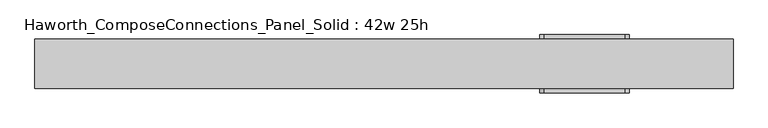
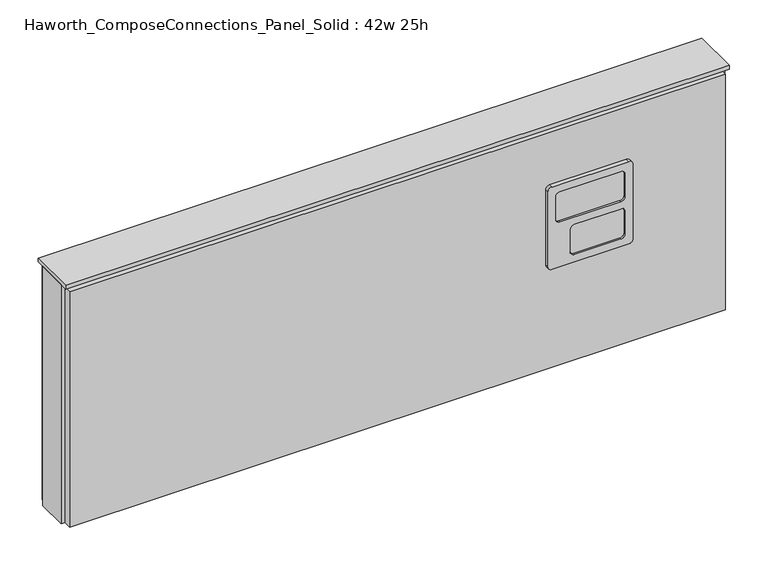
"""IFC4 building model written with IfcOpenShell, lengths in millimetres: furniture geometry, Haworth_ComposeConnections_Panel_Solid : 42w 25h."""

from ifc_helpers import new_model, si_unit, frame, origin, place, context, project, spatial, polyline, circle_curve, outline, extrude, source, transform, mapped, element, save
from ifc_brep_helpers import plane_surface, cylinder_surface, revolved_surface, advanced_brep


def haworth_composeconnections_panel_solid_42w_25h_00a73b89(model_context):
    return source(origin(), model_context, "Body", "SolidModel", [
        advanced_brep(
        [(246.9152902, 38.1, 546.1), (240.5652902, 38.1, 539.75), (240.5652902, 38.1, 412.75), (246.9152902, 38.1, 406.4), (370.7402902, 38.1, 406.4), (377.0902902, 38.1, 412.75), (377.0902902, 38.1, 539.75), (370.7402902, 38.1, 546.1), (246.9152902, 44.45, 546.1), (370.7402902, 44.45, 546.1), (377.0902902, 44.45, 539.75), (377.0902902, 44.45, 412.75), (370.7402902, 44.45, 406.4), (246.9152902, 44.45, 406.4), (240.5652902, 44.45, 412.75), (240.5652902, 44.45, 539.75), (259.6152902, 44.45, 533.4), (253.2652902, 44.45, 527.05), (253.2652902, 44.45, 488.95), (259.6152902, 44.45, 482.6), (358.0402902, 44.45, 482.6), (364.3902902, 44.45, 488.95), (364.3902902, 44.45, 527.05), (358.0402902, 44.45, 533.4), (259.6152902, 44.45, 469.9), (253.2652902, 44.45, 463.55), (253.2652902, 44.45, 425.45), (259.6152902, 44.45, 419.1), (334.2277902, 44.45, 419.1), (340.5777902, 44.45, 425.45), (340.5777902, 44.45, 463.55), (334.2277902, 44.45, 469.9), (259.6152902, 41.275, 533.4), (358.0402902, 41.275, 533.4), (364.3902902, 41.275, 527.05), (364.3902902, 41.275, 488.95), (358.0402902, 41.275, 482.6), (259.6152902, 41.275, 482.6), (253.2652902, 41.275, 488.95), (253.2652902, 41.275, 527.05), (259.6152902, 41.275, 469.9), (334.2277902, 41.275, 469.9), (340.5777902, 41.275, 463.55), (340.5777902, 41.275, 425.45), (334.2277902, 41.275, 419.1), (259.6152902, 41.275, 419.1), (253.2652902, 41.275, 425.45), (253.2652902, 41.275, 463.55)],
        [
            (0, 1, circle_curve(frame((246.9152902, 38.1, 539.75), z_axis=(0.0, -1.0, 0.0), x_axis=(1.0, 0.0, 0.0)), 6.35)),
            (1, 2),
            (2, 3, circle_curve(frame((246.9152902, 38.1, 412.75), z_axis=(0.0, -1.0, 0.0), x_axis=(1.0, 0.0, 0.0)), 6.35)),
            (3, 4),
            (4, 5, circle_curve(frame((370.7402902, 38.1, 412.75), z_axis=(0.0, -1.0, 0.0), x_axis=(1.0, 0.0, 0.0)), 6.35)),
            (5, 6),
            (6, 7, circle_curve(frame((370.7402902, 38.1, 539.75), z_axis=(0.0, -1.0, 0.0), x_axis=(1.0, 0.0, 0.0)), 6.35)),
            (7, 0),
            (8, 9),
            (9, 10, circle_curve(frame((370.7402902, 44.45, 539.75), z_axis=(0.0, 1.0, 0.0), x_axis=(1.0, 0.0, 0.0)), 6.35)),
            (10, 11),
            (11, 12, circle_curve(frame((370.7402902, 44.45, 412.75), z_axis=(0.0, 1.0, 0.0), x_axis=(1.0, 0.0, 0.0)), 6.35)),
            (12, 13),
            (13, 14, circle_curve(frame((246.9152902, 44.45, 412.75), z_axis=(0.0, 1.0, 0.0), x_axis=(1.0, 0.0, 0.0)), 6.35)),
            (14, 15),
            (15, 8, circle_curve(frame((246.9152902, 44.45, 539.75), z_axis=(0.0, 1.0, 0.0), x_axis=(1.0, 0.0, 0.0)), 6.35)),
            (16, 17, circle_curve(frame((259.6152902, 44.45, 527.05), z_axis=(0.0, -1.0, 0.0), x_axis=(1.0, 0.0, 0.0)), 6.35)),
            (17, 18),
            (18, 19, circle_curve(frame((259.6152902, 44.45, 488.95), z_axis=(0.0, -1.0, 0.0), x_axis=(1.0, 0.0, 0.0)), 6.35)),
            (19, 20),
            (20, 21, circle_curve(frame((358.0402902, 44.45, 488.95), z_axis=(0.0, -1.0, 0.0), x_axis=(1.0, 0.0, 0.0)), 6.35)),
            (21, 22),
            (22, 23, circle_curve(frame((358.0402902, 44.45, 527.05), z_axis=(0.0, -1.0, 0.0), x_axis=(1.0, 0.0, 0.0)), 6.35)),
            (23, 16),
            (24, 25, circle_curve(frame((259.6152902, 44.45, 463.55), z_axis=(0.0, -1.0, 0.0), x_axis=(1.0, 0.0, 0.0)), 6.35)),
            (25, 26),
            (26, 27, circle_curve(frame((259.6152902, 44.45, 425.45), z_axis=(0.0, -1.0, 0.0), x_axis=(1.0, 0.0, 0.0)), 6.35)),
            (27, 28),
            (28, 29, circle_curve(frame((334.2277902, 44.45, 425.45), z_axis=(0.0, -1.0, 0.0), x_axis=(1.0, 0.0, 0.0)), 6.35)),
            (29, 30),
            (30, 31, circle_curve(frame((334.2277902, 44.45, 463.55), z_axis=(0.0, -1.0, 0.0), x_axis=(1.0, 0.0, 0.0)), 6.35)),
            (31, 24),
            (0, 8),
            (15, 1),
            (14, 2),
            (13, 3),
            (12, 4),
            (11, 5),
            (10, 6),
            (9, 7),
            (32, 33),
            (33, 34, circle_curve(frame((358.0402902, 41.275, 527.05), z_axis=(0.0, 1.0, 0.0), x_axis=(1.0, 0.0, 0.0)), 6.35)),
            (34, 35),
            (35, 36, circle_curve(frame((358.0402902, 41.275, 488.95), z_axis=(0.0, 1.0, 0.0), x_axis=(1.0, 0.0, 0.0)), 6.35)),
            (36, 37),
            (37, 38, circle_curve(frame((259.6152902, 41.275, 488.95), z_axis=(0.0, 1.0, 0.0), x_axis=(1.0, 0.0, 0.0)), 6.35)),
            (38, 39),
            (39, 32, circle_curve(frame((259.6152902, 41.275, 527.05), z_axis=(0.0, 1.0, 0.0), x_axis=(1.0, 0.0, 0.0)), 6.35)),
            (40, 41),
            (41, 42, circle_curve(frame((334.2277902, 41.275, 463.55), z_axis=(0.0, 1.0, 0.0), x_axis=(1.0, 0.0, 0.0)), 6.35)),
            (42, 43),
            (43, 44, circle_curve(frame((334.2277902, 41.275, 425.45), z_axis=(0.0, 1.0, 0.0), x_axis=(1.0, 0.0, 0.0)), 6.35)),
            (44, 45),
            (45, 46, circle_curve(frame((259.6152902, 41.275, 425.45), z_axis=(0.0, 1.0, 0.0), x_axis=(1.0, 0.0, 0.0)), 6.35)),
            (46, 47),
            (47, 40, circle_curve(frame((259.6152902, 41.275, 463.55), z_axis=(0.0, 1.0, 0.0), x_axis=(1.0, 0.0, 0.0)), 6.35)),
            (39, 17),
            (16, 32),
            (38, 18),
            (37, 19),
            (36, 20),
            (35, 21),
            (34, 22),
            (33, 23),
            (47, 25),
            (24, 40),
            (46, 26),
            (45, 27),
            (44, 28),
            (43, 29),
            (42, 30),
            (41, 31),
        ],
        [
            plane_surface(frame((253.2652902, 38.1, 539.75), z_axis=(0.0, -1.0, 0.0), x_axis=(0.0, 0.0, 1.0))),
            plane_surface(frame((253.2652902, 44.45, 539.75), z_axis=(0.0, 1.0, 0.0), x_axis=(0.0, 0.0, -1.0))),
            cylinder_surface(frame((246.9152902, 44.45, 539.75), z_axis=(0.0, -1.0, 0.0), x_axis=(1.0, 0.0, 0.0)), 6.35),
            plane_surface(frame((240.5652902, 38.1, 539.75), z_axis=(-1.0, 0.0, 0.0), x_axis=(0.0, 1.0, 0.0))),
            cylinder_surface(frame((246.9152902, 44.45, 412.75), z_axis=(0.0, -1.0, 0.0), x_axis=(1.0, 0.0, 0.0)), 6.35),
            plane_surface(frame((246.9152902, 38.1, 406.4), z_axis=(0.0, 0.0, -1.0), x_axis=(0.0, 1.0, 0.0))),
            cylinder_surface(frame((370.7402902, 44.45, 412.75), z_axis=(0.0, -1.0, 0.0), x_axis=(1.0, 0.0, 0.0)), 6.35),
            plane_surface(frame((377.0902902, 38.1, 412.75), z_axis=(1.0, 0.0, 0.0), x_axis=(0.0, 1.0, 0.0))),
            cylinder_surface(frame((370.7402902, 44.45, 539.75), z_axis=(0.0, -1.0, 0.0), x_axis=(1.0, 0.0, 0.0)), 6.35),
            plane_surface(frame((370.7402902, 38.1, 546.1), z_axis=(0.0, 0.0, 1.0), x_axis=(0.0, 1.0, 0.0))),
            plane_surface(frame((265.9652902, 41.275, 527.05), z_axis=(0.0, 1.0, 0.0), x_axis=(0.0, 0.0, 1.0))),
            revolved_surface(polyline([(265.9652902, 41.275, 527.05), (265.9652902, 44.45, 527.05)]), (259.6152902, 44.45, 527.05), (0.0, -1.0, 0.0)),
            plane_surface(frame((253.2652902, 41.275, 527.05), z_axis=(1.0, 0.0, 0.0), x_axis=(0.0, 1.0, 0.0))),
            revolved_surface(polyline([(265.9652902, 41.275, 488.95), (265.9652902, 44.45, 488.95)]), (259.6152902, 44.45, 488.95), (0.0, -1.0, 0.0)),
            plane_surface(frame((259.6152902, 41.275, 482.6), z_axis=(0.0, 0.0, 1.0), x_axis=(0.0, 1.0, 0.0))),
            revolved_surface(polyline([(364.39029020000004, 41.275, 488.95), (364.39029020000004, 44.45, 488.95)]), (358.0402902, 44.45, 488.95), (0.0, -1.0, 0.0)),
            plane_surface(frame((364.3902902, 41.275, 488.95), z_axis=(-1.0, 0.0, 0.0), x_axis=(0.0, 1.0, 0.0))),
            revolved_surface(polyline([(364.39029020000004, 41.275, 527.05), (364.39029020000004, 44.45, 527.05)]), (358.0402902, 44.45, 527.05), (0.0, -1.0, 0.0)),
            plane_surface(frame((358.0402902, 41.275, 533.4), z_axis=(0.0, 0.0, -1.0), x_axis=(0.0, 1.0, 0.0))),
            revolved_surface(polyline([(265.9652902, 41.275, 463.55), (265.9652902, 44.45, 463.55)]), (259.6152902, 44.45, 463.55), (0.0, -1.0, 0.0)),
            plane_surface(frame((253.2652902, 41.275, 463.55), z_axis=(1.0, 0.0, 0.0), x_axis=(0.0, 1.0, 0.0))),
            revolved_surface(polyline([(265.9652902, 41.275, 425.45), (265.9652902, 44.45, 425.45)]), (259.6152902, 44.45, 425.45), (0.0, -1.0, 0.0)),
            plane_surface(frame((259.6152902, 41.275, 419.1), z_axis=(0.0, 0.0, 1.0), x_axis=(0.0, 1.0, 0.0))),
            revolved_surface(polyline([(340.57779020000004, 41.275, 425.45), (340.57779020000004, 44.45, 425.45)]), (334.2277902, 44.45, 425.45), (0.0, -1.0, 0.0)),
            plane_surface(frame((340.5777902, 41.275, 425.45), z_axis=(-1.0, 0.0, 0.0), x_axis=(0.0, 1.0, 0.0))),
            revolved_surface(polyline([(340.57779020000004, 41.275, 463.55), (340.57779020000004, 44.45, 463.55)]), (334.2277902, 44.45, 463.55), (0.0, -1.0, 0.0)),
            plane_surface(frame((334.2277902, 41.275, 469.9), z_axis=(0.0, 0.0, -1.0), x_axis=(0.0, 1.0, 0.0))),
        ],
        [
            (0, [[1, 2, 3, 4, 5, 6, 7, 8]]),
            (1, [[9, 10, 11, 12, 13, 14, 15, 16], [17, 18, 19, 20, 21, 22, 23, 24], [25, 26, 27, 28, 29, 30, 31, 32]]),
            (2, [[-1, 33, -16, 34]]),
            (3, [[-2, -34, -15, 35]]),
            (4, [[-3, -35, -14, 36]]),
            (5, [[-4, -36, -13, 37]]),
            (6, [[-5, -37, -12, 38]]),
            (7, [[-6, -38, -11, 39]]),
            (8, [[-7, -39, -10, 40]]),
            (9, [[-8, -40, -9, -33]]),
            (10, [[41, 42, 43, 44, 45, 46, 47, 48]]),
            (10, [[49, 50, 51, 52, 53, 54, 55, 56]]),
            (11, [[-48, 57, -17, 58]]),
            (12, [[-47, 59, -18, -57]]),
            (13, [[-46, 60, -19, -59]]),
            (14, [[-45, 61, -20, -60]]),
            (15, [[-44, 62, -21, -61]]),
            (16, [[-43, 63, -22, -62]]),
            (17, [[-42, 64, -23, -63]]),
            (18, [[-41, -58, -24, -64]]),
            (19, [[-56, 65, -25, 66]]),
            (20, [[-55, 67, -26, -65]]),
            (21, [[-54, 68, -27, -67]]),
            (22, [[-53, 69, -28, -68]]),
            (23, [[-52, 70, -29, -69]]),
            (24, [[-51, 71, -30, -70]]),
            (25, [[-50, 72, -31, -71]]),
            (26, [[-49, -66, -32, -72]]),
        ],
    ),
        advanced_brep(
        [(370.7402902, -38.1, 546.1), (377.0902902, -38.1, 539.75), (377.0902902, -38.1, 412.75), (370.7402902, -38.1, 406.4), (246.9152902, -38.1, 406.4), (240.5652902, -38.1, 412.75), (240.5652902, -38.1, 539.75), (246.9152902, -38.1, 546.1), (370.7402902, -44.45, 546.1), (246.9152902, -44.45, 546.1), (240.5652902, -44.45, 539.75), (240.5652902, -44.45, 412.75), (246.9152902, -44.45, 406.4), (370.7402902, -44.45, 406.4), (377.0902902, -44.45, 412.75), (377.0902902, -44.45, 539.75), (358.0402902, -44.45, 533.4), (364.3902902, -44.45, 527.05), (364.3902902, -44.45, 488.95), (358.0402902, -44.45, 482.6), (259.6152902, -44.45, 482.6), (253.2652902, -44.45, 488.95), (253.2652902, -44.45, 527.05), (259.6152902, -44.45, 533.4), (358.0402902, -44.45, 469.9), (364.3902902, -44.45, 463.55), (364.3902902, -44.45, 425.45), (358.0402902, -44.45, 419.1), (283.4277902, -44.45, 419.1), (277.0777902, -44.45, 425.45), (277.0777902, -44.45, 463.55), (283.4277902, -44.45, 469.9), (358.0402902, -41.275, 533.4), (259.6152902, -41.275, 533.4), (253.2652902, -41.275, 527.05), (253.2652902, -41.275, 488.95), (259.6152902, -41.275, 482.6), (358.0402902, -41.275, 482.6), (364.3902902, -41.275, 488.95), (364.3902902, -41.275, 527.05), (358.0402902, -41.275, 469.9), (283.4277902, -41.275, 469.9), (277.0777902, -41.275, 463.55), (277.0777902, -41.275, 425.45), (283.4277902, -41.275, 419.1), (358.0402902, -41.275, 419.1), (364.3902902, -41.275, 425.45), (364.3902902, -41.275, 463.55)],
        [
            (0, 1, circle_curve(frame((370.7402902, -38.1, 539.75), z_axis=(0.0, 1.0, 0.0), x_axis=(-1.0, 0.0, 0.0)), 6.35)),
            (1, 2),
            (2, 3, circle_curve(frame((370.7402902, -38.1, 412.75), z_axis=(0.0, 1.0, 0.0), x_axis=(-1.0, 0.0, 0.0)), 6.35)),
            (3, 4),
            (4, 5, circle_curve(frame((246.9152902, -38.1, 412.75), z_axis=(0.0, 1.0, 0.0), x_axis=(-1.0, 0.0, 0.0)), 6.35)),
            (5, 6),
            (6, 7, circle_curve(frame((246.9152902, -38.1, 539.75), z_axis=(0.0, 1.0, 0.0), x_axis=(-1.0, 0.0, 0.0)), 6.35)),
            (7, 0),
            (8, 9),
            (9, 10, circle_curve(frame((246.9152902, -44.45, 539.75), z_axis=(0.0, -1.0, 0.0), x_axis=(-1.0, 0.0, 0.0)), 6.35)),
            (10, 11),
            (11, 12, circle_curve(frame((246.9152902, -44.45, 412.75), z_axis=(0.0, -1.0, 0.0), x_axis=(-1.0, 0.0, 0.0)), 6.35)),
            (12, 13),
            (13, 14, circle_curve(frame((370.7402902, -44.45, 412.75), z_axis=(0.0, -1.0, 0.0), x_axis=(-1.0, 0.0, 0.0)), 6.35)),
            (14, 15),
            (15, 8, circle_curve(frame((370.7402902, -44.45, 539.75), z_axis=(0.0, -1.0, 0.0), x_axis=(-1.0, 0.0, 0.0)), 6.35)),
            (16, 17, circle_curve(frame((358.0402902, -44.45, 527.05), z_axis=(0.0, 1.0, 0.0), x_axis=(-1.0, 0.0, 0.0)), 6.35)),
            (17, 18),
            (18, 19, circle_curve(frame((358.0402902, -44.45, 488.95), z_axis=(0.0, 1.0, 0.0), x_axis=(-1.0, 0.0, 0.0)), 6.35)),
            (19, 20),
            (20, 21, circle_curve(frame((259.6152902, -44.45, 488.95), z_axis=(0.0, 1.0, 0.0), x_axis=(-1.0, 0.0, 0.0)), 6.35)),
            (21, 22),
            (22, 23, circle_curve(frame((259.6152902, -44.45, 527.05), z_axis=(0.0, 1.0, 0.0), x_axis=(-1.0, 0.0, 0.0)), 6.35)),
            (23, 16),
            (24, 25, circle_curve(frame((358.0402902, -44.45, 463.55), z_axis=(0.0, 1.0, 0.0), x_axis=(-1.0, 0.0, 0.0)), 6.35)),
            (25, 26),
            (26, 27, circle_curve(frame((358.0402902, -44.45, 425.45), z_axis=(0.0, 1.0, 0.0), x_axis=(-1.0, 0.0, 0.0)), 6.35)),
            (27, 28),
            (28, 29, circle_curve(frame((283.4277902, -44.45, 425.45), z_axis=(0.0, 1.0, 0.0), x_axis=(-1.0, 0.0, 0.0)), 6.35)),
            (29, 30),
            (30, 31, circle_curve(frame((283.4277902, -44.45, 463.55), z_axis=(0.0, 1.0, 0.0), x_axis=(-1.0, 0.0, 0.0)), 6.35)),
            (31, 24),
            (0, 8),
            (15, 1),
            (14, 2),
            (13, 3),
            (12, 4),
            (11, 5),
            (10, 6),
            (9, 7),
            (32, 33),
            (33, 34, circle_curve(frame((259.6152902, -41.275, 527.05), z_axis=(0.0, -1.0, 0.0), x_axis=(-1.0, 0.0, 0.0)), 6.35)),
            (34, 35),
            (35, 36, circle_curve(frame((259.6152902, -41.275, 488.95), z_axis=(0.0, -1.0, 0.0), x_axis=(-1.0, 0.0, 0.0)), 6.35)),
            (36, 37),
            (37, 38, circle_curve(frame((358.0402902, -41.275, 488.95), z_axis=(0.0, -1.0, 0.0), x_axis=(-1.0, 0.0, 0.0)), 6.35)),
            (38, 39),
            (39, 32, circle_curve(frame((358.0402902, -41.275, 527.05), z_axis=(0.0, -1.0, 0.0), x_axis=(-1.0, 0.0, 0.0)), 6.35)),
            (40, 41),
            (41, 42, circle_curve(frame((283.4277902, -41.275, 463.55), z_axis=(0.0, -1.0, 0.0), x_axis=(-1.0, 0.0, 0.0)), 6.35)),
            (42, 43),
            (43, 44, circle_curve(frame((283.4277902, -41.275, 425.45), z_axis=(0.0, -1.0, 0.0), x_axis=(-1.0, 0.0, 0.0)), 6.35)),
            (44, 45),
            (45, 46, circle_curve(frame((358.0402902, -41.275, 425.45), z_axis=(0.0, -1.0, 0.0), x_axis=(-1.0, 0.0, 0.0)), 6.35)),
            (46, 47),
            (47, 40, circle_curve(frame((358.0402902, -41.275, 463.55), z_axis=(0.0, -1.0, 0.0), x_axis=(-1.0, 0.0, 0.0)), 6.35)),
            (39, 17),
            (16, 32),
            (38, 18),
            (37, 19),
            (36, 20),
            (35, 21),
            (34, 22),
            (33, 23),
            (47, 25),
            (24, 40),
            (46, 26),
            (45, 27),
            (44, 28),
            (43, 29),
            (42, 30),
            (41, 31),
        ],
        [
            plane_surface(frame((364.3902902, -38.1, 539.75), z_axis=(0.0, 1.0, 0.0), x_axis=(0.0, 0.0, 1.0))),
            plane_surface(frame((364.3902902, -44.45, 539.75), z_axis=(0.0, -1.0, 0.0), x_axis=(0.0, 0.0, -1.0))),
            cylinder_surface(frame((370.7402902, -44.45, 539.75), z_axis=(0.0, 1.0, 0.0), x_axis=(-1.0, 0.0, 0.0)), 6.35),
            plane_surface(frame((377.0902902, -38.1, 539.75), z_axis=(1.0, 0.0, 0.0), x_axis=(0.0, -1.0, 0.0))),
            cylinder_surface(frame((370.7402902, -44.45, 412.75), z_axis=(0.0, 1.0, 0.0), x_axis=(-1.0, 0.0, 0.0)), 6.35),
            plane_surface(frame((370.7402902, -38.1, 406.4), z_axis=(0.0, 0.0, -1.0), x_axis=(0.0, -1.0, 0.0))),
            cylinder_surface(frame((246.9152902, -44.45, 412.75), z_axis=(0.0, 1.0, 0.0), x_axis=(-1.0, 0.0, 0.0)), 6.35),
            plane_surface(frame((240.5652902, -38.1, 412.75), z_axis=(-1.0, 0.0, 0.0), x_axis=(0.0, -1.0, 0.0))),
            cylinder_surface(frame((246.9152902, -44.45, 539.75), z_axis=(0.0, 1.0, 0.0), x_axis=(-1.0, 0.0, 0.0)), 6.35),
            plane_surface(frame((246.9152902, -38.1, 546.1), z_axis=(0.0, 0.0, 1.0), x_axis=(0.0, -1.0, 0.0))),
            plane_surface(frame((351.6902902, -41.275, 527.05), z_axis=(0.0, -1.0, 0.0), x_axis=(0.0, 0.0, 1.0))),
            revolved_surface(polyline([(351.6902902, -41.275, 527.05), (351.6902902, -44.45, 527.05)]), (358.0402902, -44.45, 527.05), (0.0, 1.0, 0.0)),
            plane_surface(frame((364.3902902, -41.275, 527.05), z_axis=(-1.0, 0.0, 0.0), x_axis=(0.0, -1.0, 0.0))),
            revolved_surface(polyline([(351.6902902, -41.275, 488.95), (351.6902902, -44.45, 488.95)]), (358.0402902, -44.45, 488.95), (0.0, 1.0, 0.0)),
            plane_surface(frame((358.0402902, -41.275, 482.6), z_axis=(0.0, 0.0, 1.0), x_axis=(0.0, -1.0, 0.0))),
            revolved_surface(polyline([(253.2652902, -41.275, 488.95), (253.2652902, -44.45, 488.95)]), (259.6152902, -44.45, 488.95), (0.0, 1.0, 0.0)),
            plane_surface(frame((253.2652902, -41.275, 488.95), z_axis=(1.0, 0.0, 0.0), x_axis=(0.0, -1.0, 0.0))),
            revolved_surface(polyline([(253.2652902, -41.275, 527.05), (253.2652902, -44.45, 527.05)]), (259.6152902, -44.45, 527.05), (0.0, 1.0, 0.0)),
            plane_surface(frame((259.6152902, -41.275, 533.4), z_axis=(0.0, 0.0, -1.0), x_axis=(0.0, -1.0, 0.0))),
            revolved_surface(polyline([(351.6902902, -41.275, 463.55), (351.6902902, -44.45, 463.55)]), (358.0402902, -44.45, 463.55), (0.0, 1.0, 0.0)),
            plane_surface(frame((364.3902902, -41.275, 463.55), z_axis=(-1.0, 0.0, 0.0), x_axis=(0.0, -1.0, 0.0))),
            revolved_surface(polyline([(351.6902902, -41.275, 425.45), (351.6902902, -44.45, 425.45)]), (358.0402902, -44.45, 425.45), (0.0, 1.0, 0.0)),
            plane_surface(frame((358.0402902, -41.275, 419.1), z_axis=(0.0, 0.0, 1.0), x_axis=(0.0, -1.0, 0.0))),
            revolved_surface(polyline([(277.0777902, -41.275, 425.45), (277.0777902, -44.45, 425.45)]), (283.4277902, -44.45, 425.45), (0.0, 1.0, 0.0)),
            plane_surface(frame((277.0777902, -41.275, 425.45), z_axis=(1.0, 0.0, 0.0), x_axis=(0.0, -1.0, 0.0))),
            revolved_surface(polyline([(277.0777902, -41.275, 463.55), (277.0777902, -44.45, 463.55)]), (283.4277902, -44.45, 463.55), (0.0, 1.0, 0.0)),
            plane_surface(frame((283.4277902, -41.275, 469.9), z_axis=(0.0, 0.0, -1.0), x_axis=(0.0, -1.0, 0.0))),
        ],
        [
            (0, [[1, 2, 3, 4, 5, 6, 7, 8]]),
            (1, [[9, 10, 11, 12, 13, 14, 15, 16], [17, 18, 19, 20, 21, 22, 23, 24], [25, 26, 27, 28, 29, 30, 31, 32]]),
            (2, [[-1, 33, -16, 34]]),
            (3, [[-2, -34, -15, 35]]),
            (4, [[-3, -35, -14, 36]]),
            (5, [[-4, -36, -13, 37]]),
            (6, [[-5, -37, -12, 38]]),
            (7, [[-6, -38, -11, 39]]),
            (8, [[-7, -39, -10, 40]]),
            (9, [[-8, -40, -9, -33]]),
            (10, [[41, 42, 43, 44, 45, 46, 47, 48]]),
            (10, [[49, 50, 51, 52, 53, 54, 55, 56]]),
            (11, [[-48, 57, -17, 58]]),
            (12, [[-47, 59, -18, -57]]),
            (13, [[-46, 60, -19, -59]]),
            (14, [[-45, 61, -20, -60]]),
            (15, [[-44, 62, -21, -61]]),
            (16, [[-43, 63, -22, -62]]),
            (17, [[-42, 64, -23, -63]]),
            (18, [[-41, -58, -24, -64]]),
            (19, [[-56, 65, -25, 66]]),
            (20, [[-55, 67, -26, -65]]),
            (21, [[-54, 68, -27, -67]]),
            (22, [[-53, 69, -28, -68]]),
            (23, [[-52, 70, -29, -69]]),
            (24, [[-51, 71, -30, -70]]),
            (25, [[-50, 72, -31, -71]]),
            (26, [[-49, -66, -32, -72]]),
        ],
    ),
        extrude(outline(polyline([(535.8402902, -25.4), (-530.9597098, -25.4), (-530.9597098, 25.4), (535.8402902, 25.4), (535.8402902, -25.4)])), frame((0.0, 0.0, 234.95), z_axis=(0.0, 0.0, 1.0), x_axis=(1.0, 0.0, 0.0)), (0.0, 0.0, 1.0), 406.4),
        extrude(outline(polyline([(-524.6097098, -25.4), (529.4902902, -25.4), (529.4902902, -38.1), (-524.6097098, -38.1), (-524.6097098, -25.4)])), frame((0.0, 0.0, 234.95), z_axis=(0.0, 0.0, 1.0), x_axis=(1.0, 0.0, 0.0)), (0.0, 0.0, 1.0), 400.05),
        extrude(outline(polyline([(-524.6097098, 38.1), (529.4902902, 38.1), (529.4902902, 25.4), (-524.6097098, 25.4), (-524.6097098, 38.1)])), frame((0.0, 0.0, 234.95), z_axis=(0.0, 0.0, 1.0), x_axis=(1.0, 0.0, 0.0)), (0.0, 0.0, 1.0), 400.05),
        extrude(outline(polyline([(-530.9597098, -38.1), (-530.9597098, 38.1), (535.8402902, 38.1), (535.8402902, -38.1), (-530.9597098, -38.1)])), frame((0.0, 0.0, 641.35), z_axis=(0.0, 0.0, 1.0), x_axis=(1.0, 0.0, 0.0)), (0.0, 0.0, 1.0), 6.35),
    ])


if __name__ == "__main__":
    model = new_model("IFC4")
    model_context = context("Model", 3, world=origin())
    ifc_project = project(units=[si_unit("LENGTHUNIT", "METRE", prefix="MILLI")], contexts=[model_context])
    site = spatial("IfcSite", under=ifc_project)
    building = spatial("IfcBuilding", under=site)
    placement = place(None, origin())
    haworth_composeconnections_panel_solid_42w_25h_shape = haworth_composeconnections_panel_solid_42w_25h_00a73b89(model_context)
    element("IfcFurniture", 1, ObjectType="Haworth_ComposeConnections_Panel_Solid : 42w 25h", at=placement, inside=building, context=model_context, shape_type="MappedRepresentation", body=[
        mapped(haworth_composeconnections_panel_solid_42w_25h_shape, transform((0.0, 0.0, 0.0), x_axis=(1.0, 0.0, 0.0), y_axis=(0.0, 1.0, 0.0), z_axis=(0.0, 0.0, 1.0))),
    ])
    save(model, "model.ifc")
